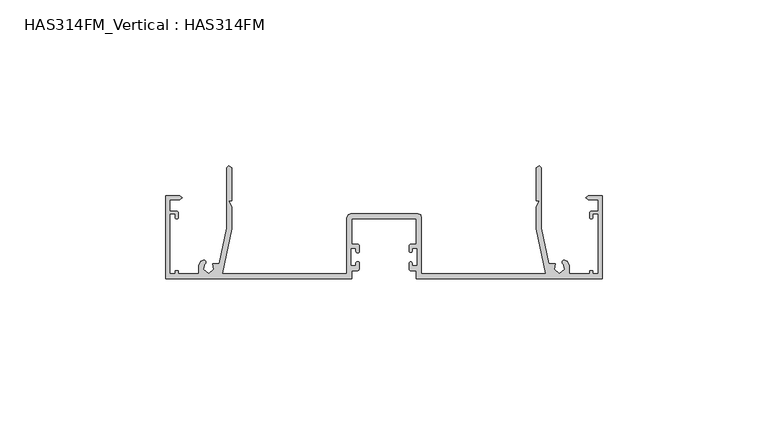
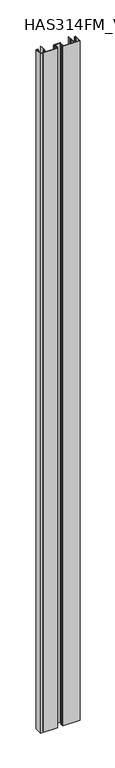
"""IFC4 building model written with IfcOpenShell, lengths in millimetres: beam geometry, HAS314FM_Vertical : HAS314FM."""

from ifc_helpers import new_model, si_unit, point, frame, frame_2d, origin, place, context, project, spatial, polyline, circle_curve, trimmed, segment, composite_curve, outline, extrude, source, transform, mapped, element, save


def has314fm_vertical_has314fm_1789698f(model_context):
    return source(origin(), model_context, "Body", "SweptSolid", [
        extrude(outline(composite_curve([segment(polyline([(9.9742765, -25.0418006), (8.488746, -25.0418006), (8.488746, -25.8418006)]), True, "CONTINUOUS"), segment(trimmed(circle_curve(frame_2d((8.0643087, -25.8418006)), 0.4244373), [point((8.488746, -25.8418006))], [point((7.6398714, -25.8418006))], False, "CARTESIAN"), True, "CONTINUOUS"), segment(polyline([(7.6398714, -25.8418006), (7.6398714, -24.3095233)]), True, "CONTINUOUS"), segment(trimmed(circle_curve(frame_2d((8.180906, -24.3095233)), 0.5410346), [point((7.6398714, -24.3095233))], [point((8.180906, -23.7684887))], False, "CARTESIAN"), True, "CONTINUOUS"), segment(polyline([(8.180906, -23.7684887), (9.7620579, -23.7684887), (9.7620579, -16.1286174), (-9.7620579, -16.1286174), (-9.7620579, -23.7684887), (-8.0276527, -23.7684887)]), True, "CONTINUOUS"), segment(trimmed(circle_curve(frame_2d((-8.0276527, -24.3684887)), 0.6), [point((-8.0276527, -23.7684887))], [point((-7.4276527, -24.3684887))], False, "CARTESIAN"), True, "CONTINUOUS"), segment(polyline([(-7.4276527, -24.3684887), (-7.4276527, -25.8418006)]), True, "CONTINUOUS"), segment(trimmed(circle_curve(frame_2d((-7.9581994, -25.8418006)), 0.5305466), [point((-7.4276527, -25.8418006))], [point((-8.488746, -25.8418006))], False, "CARTESIAN"), True, "CONTINUOUS"), segment(polyline([(-8.488746, -25.8418006), (-8.488746, -25.0418006), (-9.9742765, -25.0418006), (-9.9742765, -30.3472669), (-8.488746, -30.3472669), (-8.488746, -29.5472669)]), True, "CONTINUOUS"), segment(trimmed(circle_curve(frame_2d((-7.9581994, -29.5472669)), 0.5305466), [point((-8.488746, -29.5472669))], [point((-7.4276527, -29.5472669))], False, "CARTESIAN"), True, "CONTINUOUS"), segment(polyline([(-7.4276527, -29.5472669), (-7.4276527, -31.0382748)]), True, "CONTINUOUS"), segment(trimmed(circle_curve(frame_2d((-8.2221754, -31.0382748)), 0.7945227), [point((-7.4276527, -31.0382748))], [point((-8.2221754, -31.8327974))], False, "CARTESIAN"), True, "CONTINUOUS"), segment(polyline([(-8.2221754, -31.8327974), (-9.7620579, -31.8327974), (-9.7620579, -34.1672026), (-66.0, -34.1672026), (-66.0, -9.1254019), (-61.755627, -9.1254019), (-60.9067524, -9.7620579), (-61.755627, -10.3987138), (-64.7266881, -10.3987138), (-64.7266881, -13.7942122), (-62.7447485, -13.7942122)]), True, "CONTINUOUS"), segment(trimmed(circle_curve(frame_2d((-62.7447485, -14.3588964)), 0.5646842), [point((-62.7447485, -13.7942122))], [point((-62.1800643, -14.3588964))], False, "CARTESIAN"), True, "CONTINUOUS"), segment(polyline([(-62.1800643, -14.3588964), (-62.1800643, -15.7041801)]), True, "CONTINUOUS"), segment(trimmed(circle_curve(frame_2d((-62.6045016, -15.7041801)), 0.4244373), [point((-62.1800643, -15.7041801))], [point((-63.0289389, -15.7041801))], False, "CARTESIAN"), True, "CONTINUOUS"), segment(polyline([(-63.0289389, -15.7041801), (-63.0289389, -14.6430868), (-64.7266881, -14.6430868), (-64.7266881, -32.681672), (-63.0289389, -32.681672), (-63.0289389, -31.8327974), (-62.1800643, -31.8327974), (-62.1800643, -32.681672), (-56.0257235, -32.681672), (-56.0257235, -30.1350482), (-55.3890675, -28.8617363), (-54.5401929, -28.6495177)]), True, "CONTINUOUS"), segment(trimmed(circle_curve(frame_2d((-54.4003215, -29.2090032)), 0.5767045), [point((-54.5401929, -28.6495177))], [point((-54.1157556, -29.7106109))], False, "CARTESIAN"), True, "CONTINUOUS"), segment(polyline([(-54.1157556, -29.7106109), (-54.5401929, -31.4083601), (-52.9485531, -32.7347267), (-51.3569132, -31.4083601), (-51.7813505, -29.7106109), (-49.7918006, -29.7106109), (-47.5369775, -18.8874598), (-47.5369775, -0.6366559), (-46.9003215, 0.0), (-46.0514469, -0.6366559), (-46.0514469, -10.6109325), (-46.9003215, -10.6109325), (-46.0514469, -12.5209003), (-46.0514469, -19.0996785), (-48.8992843, -32.681672), (-11.2475884, -32.681672), (-11.2475884, -15.7041801), (-10.8231511, -14.8553055), (-9.9742765, -14.6430868), (10.1864952, -14.6430868), (11.0353698, -14.8553055), (11.2475884, -15.7041801), (11.2475884, -32.681672), (48.8992843, -32.681672), (46.0514469, -19.0996785), (46.0514469, -12.5209003), (46.9003215, -10.6109325), (46.0514469, -10.6109325), (46.0514469, -0.6366559), (46.9003215, 0.0), (47.5369775, -0.6366559), (47.5369775, -18.8874598), (49.7918006, -29.7106109), (51.7813505, -29.7106109), (51.3569132, -31.4083601), (52.9485531, -32.7347267), (54.5401929, -31.4083601), (54.1157556, -29.7106109)]), True, "CONTINUOUS"), segment(trimmed(circle_curve(frame_2d((54.4003215, -29.2090032)), 0.5767045), [point((54.1157556, -29.7106109))], [point((54.5401929, -28.6495177))], False, "CARTESIAN"), True, "CONTINUOUS"), segment(polyline([(54.5401929, -28.6495177), (55.3890675, -28.8617363), (56.0257235, -30.1350482), (56.0257235, -32.681672), (62.1800643, -32.681672), (62.1800643, -31.8327974), (63.0289389, -31.8327974), (63.0289389, -32.681672), (64.7266881, -32.681672), (64.7266881, -14.6430868), (63.0289389, -14.6430868), (63.0289389, -15.7041801)]), True, "CONTINUOUS"), segment(trimmed(circle_curve(frame_2d((62.6045016, -15.7041801)), 0.4244373), [point((63.0289389, -15.7041801))], [point((62.1800643, -15.7041801))], False, "CARTESIAN"), True, "CONTINUOUS"), segment(polyline([(62.1800643, -15.7041801), (62.1800643, -14.3588964)]), True, "CONTINUOUS"), segment(trimmed(circle_curve(frame_2d((62.7447485, -14.3588964)), 0.5646842), [point((62.1800643, -14.3588964))], [point((62.7447485, -13.7942122))], False, "CARTESIAN"), True, "CONTINUOUS"), segment(polyline([(62.7447485, -13.7942122), (64.7266881, -13.7942122), (64.7266881, -10.3987138), (61.755627, -10.3987138), (60.9067524, -9.7620579), (61.755627, -9.1254019), (66.0, -9.1254019), (66.0, -34.1672026), (9.7620579, -34.1672026), (9.7620579, -31.8327974), (8.2745239, -31.8327974)]), True, "CONTINUOUS"), segment(trimmed(circle_curve(frame_2d((8.2745239, -31.1981449)), 0.6346525), [point((8.2745239, -31.8327974))], [point((7.6398714, -31.1981449))], False, "CARTESIAN"), True, "CONTINUOUS"), segment(polyline([(7.6398714, -31.1981449), (7.6398714, -29.5472669)]), True, "CONTINUOUS"), segment(trimmed(circle_curve(frame_2d((8.0643087, -29.5472669)), 0.4244373), [point((7.6398714, -29.5472669))], [point((8.488746, -29.5472669))], False, "CARTESIAN"), True, "CONTINUOUS"), segment(polyline([(8.488746, -29.5472669), (8.488746, -30.3472669), (9.9742765, -30.3472669), (9.9742765, -25.0418006)]), True, "CONTINUOUS")], self_intersect=False)), frame((0.0, 0.0, -1200.0), z_axis=(0.0, 0.0, 1.0), x_axis=(1.0, 0.0, 0.0)), (0.0, 0.0, 1.0), 2400.0),
    ])


if __name__ == "__main__":
    model = new_model("IFC4")
    model_context = context("Model", 3, world=origin())
    ifc_project = project(units=[si_unit("LENGTHUNIT", "METRE", prefix="MILLI")], contexts=[model_context])
    site = spatial("IfcSite", under=ifc_project)
    building = spatial("IfcBuilding", under=site)
    placement = place(None, origin())
    has314fm_vertical_has314fm_shape = has314fm_vertical_has314fm_1789698f(model_context)
    element("IfcBeam", 1, ObjectType="HAS314FM_Vertical : HAS314FM", at=placement, inside=building, context=model_context, shape_type="MappedRepresentation", body=[
        mapped(has314fm_vertical_has314fm_shape, transform((0.0, 0.0, 0.0), x_axis=(1.0, 0.0, 0.0), y_axis=(0.0, 1.0, 0.0), z_axis=(0.0, 0.0, 1.0))),
    ])
    save(model, "model.ifc")
